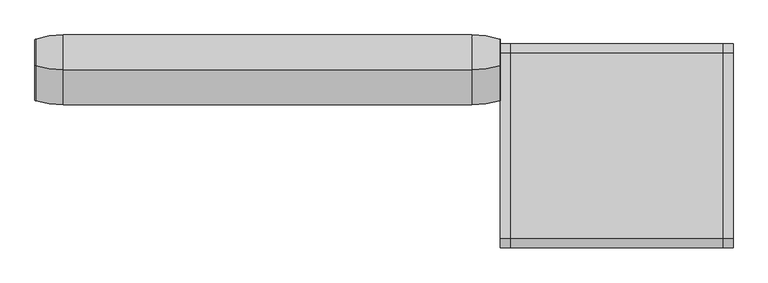
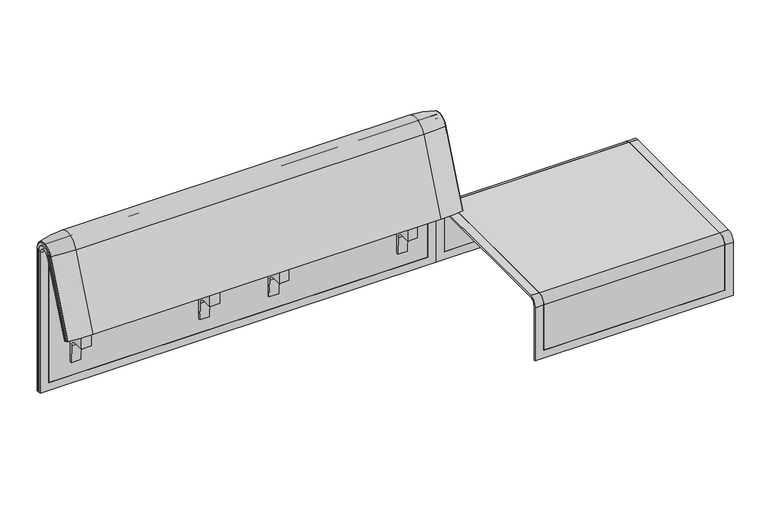
"""IFC4 building model written with IfcOpenShell, lengths in millimetres: furniture geometry."""

from ifc_helpers import new_model, si_unit, point, frame, frame_2d, origin, place, context, project, spatial, polyline, circle_curve, ellipse_curve, trimmed, segment, composite_curve, outline, extrude, source, transform, mapped, element, save
from ifc_brep_helpers import plane_surface, cylinder_surface, revolved_surface, advanced_brep


def furniture_f94167e0(model_context):
    return source(origin(), model_context, "Body", "SolidModel", [
        extrude(outline(composite_curve([segment(trimmed(circle_curve(frame_2d((305.0000061, 379.9223263)), 30.0), [point((305.0000061, 349.9223263))], [point((335.0000061, 379.9223263))], True, "CARTESIAN"), True, "CONTINUOUS"), segment(polyline([(335.0000061, 379.9223263), (335.0000061, 515.0657595)]), True, "CONTINUOUS"), segment(trimmed(circle_curve(frame_2d((305.0000061, 515.0657595)), 30.0), [point((335.0000061, 515.0657595))], [point((316.7219399, 542.6809051))], True, "CARTESIAN"), True, "CONTINUOUS"), segment(polyline([(316.7219399, 542.6809051), (257.4911714, 567.8228747)]), True, "CONTINUOUS"), segment(trimmed(circle_curve(frame_2d((251.6302045, 554.0153019)), 15.0), [point((257.4911714, 567.8228747))], [point((238.0355877, 560.3545758))], True, "CARTESIAN"), True, "CONTINUOUS"), segment(polyline([(238.0355877, 560.3545758), (222.2725218, 526.5505721), (213.7507451, 529.5682915), (296.3054528, 724.0549949)]), True, "CONTINUOUS"), segment(trimmed(circle_curve(frame_2d((322.520748, 712.9272623)), 28.479258), [point((296.3054528, 724.0549949))], [point((351.0000061, 712.9272623))], False, "CARTESIAN"), True, "CONTINUOUS"), segment(polyline([(351.0000061, 712.9272623), (351.0000061, 197.0551771), (343.3075759, 197.0551771), (339.4064861, 271.492405)]), True, "CONTINUOUS"), segment(trimmed(circle_curve(frame_2d((309.4476, 269.9223263)), 30.0), [point((339.4064861, 271.492405))], [point((309.4476, 299.9223263))], True, "CARTESIAN"), True, "CONTINUOUS"), segment(polyline([(309.4476, 299.9223263), (270.0000061, 299.9223263), (270.0000061, 359.9223263), (275.0000061, 359.9223263)]), True, "CONTINUOUS"), segment(trimmed(circle_curve(frame_2d((285.0000061, 359.9223263)), 10.0), [point((275.0000061, 359.9223263))], [point((285.0000061, 349.9223263))], True, "CARTESIAN"), True, "CONTINUOUS"), segment(polyline([(285.0000061, 349.9223263), (305.0000061, 349.9223263)]), True, "CONTINUOUS")], self_intersect=False), holes=[composite_curve([segment(polyline([(337.5000061, 576.3274105), (337.5000061, 716.7072663)]), True, "CONTINUOUS"), segment(trimmed(circle_curve(frame_2d((322.5000061, 716.7072663)), 15.0), [point((337.5000061, 716.7072663))], [point((308.9053893, 723.0465402))], True, "CARTESIAN"), True, "CONTINUOUS"), segment(polyline([(308.9053893, 723.0465402), (253.6256191, 604.4986904)]), True, "CONTINUOUS"), segment(trimmed(circle_curve(frame_2d((271.7517748, 596.0463251)), 20.0), [point((253.6256191, 604.4986904))], [point((265.0756376, 577.1934953))], True, "CARTESIAN"), True, "CONTINUOUS"), segment(polyline([(265.0756376, 577.1934953), (314.1406626, 559.8186587)]), True, "CONTINUOUS"), segment(trimmed(circle_curve(frame_2d((319.9867182, 576.3274105)), 17.5132879), [point((314.1406626, 559.8186587))], [point((337.5000061, 576.3274105))], True, "CARTESIAN"), True, "CONTINUOUS")], self_intersect=False)]), frame((-284.9782527, 0.0, 0.0), z_axis=(1.0, 0.0, 0.0), x_axis=(0.0, 1.0, 0.0)), (0.0, 0.0, 1.0), 40.0),
        extrude(outline(composite_curve([segment(trimmed(circle_curve(frame_2d((305.0000061, 379.9223263)), 30.0), [point((305.0000061, 349.9223263))], [point((335.0000061, 379.9223263))], True, "CARTESIAN"), True, "CONTINUOUS"), segment(polyline([(335.0000061, 379.9223263), (335.0000061, 515.0657595)]), True, "CONTINUOUS"), segment(trimmed(circle_curve(frame_2d((305.0000061, 515.0657595)), 30.0), [point((335.0000061, 515.0657595))], [point((316.7219399, 542.6809051))], True, "CARTESIAN"), True, "CONTINUOUS"), segment(polyline([(316.7219399, 542.6809051), (257.4911714, 567.8228747)]), True, "CONTINUOUS"), segment(trimmed(circle_curve(frame_2d((251.6302045, 554.0153019)), 15.0), [point((257.4911714, 567.8228747))], [point((238.0355877, 560.3545758))], True, "CARTESIAN"), True, "CONTINUOUS"), segment(polyline([(238.0355877, 560.3545758), (222.2725218, 526.5505721), (213.7507451, 529.5682915), (296.3054528, 724.0549949)]), True, "CONTINUOUS"), segment(trimmed(circle_curve(frame_2d((322.520748, 712.9272623)), 28.479258), [point((296.3054528, 724.0549949))], [point((351.0000061, 712.9272623))], False, "CARTESIAN"), True, "CONTINUOUS"), segment(polyline([(351.0000061, 712.9272623), (351.0000061, 197.0551771), (343.3075759, 197.0551771), (339.4064861, 271.492405)]), True, "CONTINUOUS"), segment(trimmed(circle_curve(frame_2d((309.4476, 269.9223263)), 30.0), [point((339.4064861, 271.492405))], [point((309.4476, 299.9223263))], True, "CARTESIAN"), True, "CONTINUOUS"), segment(polyline([(309.4476, 299.9223263), (270.0000061, 299.9223263), (270.0000061, 359.9223263), (275.0000061, 359.9223263)]), True, "CONTINUOUS"), segment(trimmed(circle_curve(frame_2d((285.0000061, 359.9223263)), 10.0), [point((275.0000061, 359.9223263))], [point((285.0000061, 349.9223263))], True, "CARTESIAN"), True, "CONTINUOUS"), segment(polyline([(285.0000061, 349.9223263), (305.0000061, 349.9223263)]), True, "CONTINUOUS")], self_intersect=False), holes=[composite_curve([segment(polyline([(337.5000061, 576.3274105), (337.5000061, 716.7072663)]), True, "CONTINUOUS"), segment(trimmed(circle_curve(frame_2d((322.5000061, 716.7072663)), 15.0), [point((337.5000061, 716.7072663))], [point((308.9053893, 723.0465402))], True, "CARTESIAN"), True, "CONTINUOUS"), segment(polyline([(308.9053893, 723.0465402), (253.6256191, 604.4986904)]), True, "CONTINUOUS"), segment(trimmed(circle_curve(frame_2d((271.7517748, 596.0463251)), 20.0), [point((253.6256191, 604.4986904))], [point((265.0756376, 577.1934953))], True, "CARTESIAN"), True, "CONTINUOUS"), segment(polyline([(265.0756376, 577.1934953), (314.1406626, 559.8186587)]), True, "CONTINUOUS"), segment(trimmed(circle_curve(frame_2d((319.9867182, 576.3274105)), 17.5132879), [point((314.1406626, 559.8186587))], [point((337.5000061, 576.3274105))], True, "CARTESIAN"), True, "CONTINUOUS")], self_intersect=False)]), frame((245.0113409, 0.0, 0.0), z_axis=(1.0, 0.0, 0.0), x_axis=(0.0, 1.0, 0.0)), (0.0, 0.0, 1.0), 40.0),
        advanced_brep(
        [(408.0237127, 351.0000061, 101.8476716), (408.0237127, 359.7858817, 101.8476716), (408.0237127, 359.7858817, 720.3417731), (408.0237127, 292.4403877, 733.7122262), (408.0237127, 170.1966807, 437.98305), (408.0237127, 175.0204081, 435.9866665), (408.0237127, 296.2458652, 723.9869215), (408.0237127, 351.0000061, 712.9272623), (-1223.9718733, 351.0000061, 101.8476716), (-1223.9718733, 351.0000061, 712.9272623), (-1223.9718733, 296.2720241, 723.9759107), (-1223.9718733, 175.0204081, 435.9866665), (-1223.9718733, 170.1966807, 437.98305), (-1223.9718733, 292.4403877, 733.7122262), (-1223.9718733, 359.7858817, 720.3417731), (-1223.9718733, 359.7858817, 101.8476716), (373.1071685, 292.4403877, 733.7122262), (373.1071685, 176.0980387, 452.25948), (-1189.0884174, 176.0980387, 452.25948), (-1189.0884174, 292.4403877, 733.7122262), (-1189.0884174, 296.2458652, 723.9869215), (-1189.0884174, 181.0136548, 450.2250668), (373.1071685, 181.0136548, 450.2250668), (373.1071685, 296.2458652, 723.9869215), (373.1071685, 351.0000061, 712.9272623), (373.1071685, 351.0000061, 135.3766997), (-1189.0884174, 351.0000061, 135.3766997), (-1189.0884174, 351.0000061, 712.9272623), (-1189.0884174, 359.7858817, 720.3417731), (-1189.0884174, 359.7858817, 135.3766997), (373.1071685, 359.7858817, 135.3766997), (373.1071685, 359.7858817, 720.3417731)],
        [
            (0, 1),
            (1, 2),
            (2, 3, circle_curve(frame((408.0237127, 324.7858817, 720.3417731), z_axis=(1.0, 0.0, 0.0), x_axis=(0.0, -1.0, 0.0)), 35.0)),
            (3, 4),
            (4, 5),
            (5, 6),
            (6, 7, circle_curve(frame((408.0237127, 322.520748, 712.9272623), z_axis=(-1.0, 0.0, 0.0), x_axis=(0.0, -1.0, 0.0)), 28.479258)),
            (7, 0),
            (8, 9),
            (9, 10, circle_curve(frame((-1223.9718733, 322.520748, 712.9272623), z_axis=(1.0, 0.0, 0.0), x_axis=(0.0, -1.0, 0.0)), 28.479258)),
            (10, 11),
            (11, 12),
            (12, 13),
            (13, 14, circle_curve(frame((-1223.9718733, 324.7858817, 720.3417731), z_axis=(-1.0, 0.0, 0.0), x_axis=(0.0, -1.0, 0.0)), 35.0)),
            (14, 15),
            (15, 8),
            (3, 16),
            (16, 17),
            (17, 18),
            (18, 19),
            (19, 13),
            (12, 4),
            (11, 5),
            (10, 20),
            (20, 21),
            (21, 22),
            (22, 23),
            (23, 6),
            (7, 24),
            (24, 25),
            (25, 26),
            (26, 27),
            (27, 9),
            (8, 0),
            (15, 1),
            (14, 28),
            (28, 29),
            (29, 30),
            (30, 31),
            (31, 2),
            (31, 16, circle_curve(frame((373.1071685, 324.7858817, 720.3417731), z_axis=(1.0, 0.0, 0.0), x_axis=(0.0, -1.0, 0.0)), 35.0)),
            (19, 28, circle_curve(frame((-1189.0884174, 324.7858817, 720.3417731), z_axis=(-1.0, 0.0, 0.0), x_axis=(0.0, -1.0, 0.0)), 35.0)),
            (23, 24, circle_curve(frame((373.1071685, 322.520748, 712.9272623), z_axis=(-1.0, 0.0, 0.0), x_axis=(0.0, -1.0, 0.0)), 28.479258)),
            (27, 20, circle_curve(frame((-1189.0884174, 322.520748, 712.9272623), z_axis=(1.0, 0.0, 0.0), x_axis=(0.0, -1.0, 0.0)), 28.479258)),
            (22, 17),
            (30, 25),
            (26, 29),
            (18, 21),
        ],
        [
            plane_surface(frame((408.0237127, 359.7858817, 101.8476716), z_axis=(1.0, 0.0, 0.0), x_axis=(0.0, 1.0, 0.0))),
            plane_surface(frame((-1223.9718733, 359.7858817, 101.8476716), z_axis=(-1.0, 0.0, 0.0), x_axis=(0.0, -1.0, 0.0))),
            plane_surface(frame((408.0237127, 292.4403877, 733.7122262), z_axis=(0.0, -0.9241569717933176, 0.3820129467515535), x_axis=(-1.0, 0.0, 0.0))),
            plane_surface(frame((408.0237127, 170.1966807, 437.98305), z_axis=(0.0, -0.3824103944198279, -0.9239925812687414), x_axis=(-1.0, 0.0, 0.0))),
            plane_surface(frame((408.0237127, 175.0204081, 435.9866665), z_axis=(0.0, 0.921678643444566, -0.3879542218073993), x_axis=(-1.0, 0.0, 0.0))),
            plane_surface(frame((408.0237127, 351.0000061, 712.9272623), z_axis=(0.0, -1.0, 0.0), x_axis=(-1.0, 0.0, 0.0))),
            plane_surface(frame((408.0237127, 351.0000061, 101.8476716), z_axis=(0.0, 0.0, -1.0), x_axis=(-1.0, 0.0, 0.0))),
            plane_surface(frame((408.0237127, 359.7858817, 101.8476716), z_axis=(0.0, 1.0, 0.0), x_axis=(-1.0, 0.0, 0.0))),
            cylinder_surface(frame((-1223.9718733, 324.7858817, 720.3417731), z_axis=(1.0, 0.0, 0.0), x_axis=(0.0, -1.0, 0.0)), 35.0),
            revolved_surface(polyline([(373.10716849999994, 294.04149, 712.9272623), (408.02371270000003, 294.04149, 712.9272623)]), (-1223.9718733, 322.520748, 712.9272623), (-1.0, 0.0, 0.0)),
            revolved_surface(polyline([(-1223.9718733, 294.04149, 712.9272623), (-1189.0884174, 294.04149, 712.9272623)]), (-1223.9718733, 322.520748, 712.9272623), (-1.0, 0.0, 0.0)),
            plane_surface(frame((373.1071685, 359.7858817, 135.3766997), z_axis=(-1.0, 0.0, 0.0), x_axis=(0.0, 1.0, 0.0))),
            plane_surface(frame((-1189.0884174, 359.7858817, 135.3766997), z_axis=(1.0, 0.0, 0.0), x_axis=(0.0, -1.0, 0.0))),
            plane_surface(frame((373.1071685, 166.9120641, 456.0612553), z_axis=(0.0, 0.38241039441982605, 0.9239925812687422), x_axis=(-1.0, 0.0, 0.0))),
            plane_surface(frame((373.1071685, 344.7858817, 135.3766997), z_axis=(0.0, 0.0, 1.0), x_axis=(-1.0, 0.0, 0.0))),
        ],
        [
            (0, [[1, 2, 3, 4, 5, 6, 7, 8]]),
            (1, [[9, 10, 11, 12, 13, 14, 15, 16]]),
            (2, [[-4, 17, 18, 19, 20, 21, -13, 22]]),
            (3, [[-5, -22, -12, 23]]),
            (4, [[-6, -23, -11, 24, 25, 26, 27, 28]]),
            (5, [[-8, 29, 30, 31, 32, 33, -9, 34]]),
            (6, [[-1, -34, -16, 35]]),
            (7, [[-2, -35, -15, 36, 37, 38, 39, 40]]),
            (8, [[-3, -40, 41, -17]]),
            (8, [[-14, -21, 42, -36]]),
            (9, [[-7, -28, 43, -29]]),
            (10, [[-10, -33, 44, -24]]),
            (11, [[45, -18, -41, -39, 46, -30, -43, -27]]),
            (12, [[47, -37, -42, -20, 48, -25, -44, -32]]),
            (13, [[-45, -26, -48, -19]]),
            (14, [[-46, -38, -47, -31]]),
        ],
    ),
        advanced_brep(
        [(373.1071685, 351.0000061, 135.3766997), (373.1071685, 359.7858817, 135.3766997), (373.1071685, 359.7858817, 720.3417731), (373.1071685, 292.4403877, 733.7122262), (373.1071685, 176.0980387, 452.25948), (373.1071685, 181.0136548, 450.2250668), (373.1071685, 296.2458652, 723.9869215), (373.1071685, 351.0000061, 712.9272623), (-1189.0884174, 351.0000061, 135.3766997), (-1189.0884174, 351.0000061, 712.9272623), (-1189.0884174, 296.2720241, 723.9759107), (-1189.0884174, 181.0136548, 450.2250668), (-1189.0884174, 176.0980387, 452.25948), (-1189.0884174, 292.4403877, 733.7122262), (-1189.0884174, 359.7858817, 720.3417731), (-1189.0884174, 359.7858817, 135.3766997)],
        [
            (0, 1),
            (1, 2),
            (2, 3, circle_curve(frame((373.1071685, 324.7858817, 720.3417731), z_axis=(1.0, 0.0, 0.0), x_axis=(0.0, -1.0, 0.0)), 35.0)),
            (3, 4),
            (4, 5),
            (5, 6),
            (6, 7, circle_curve(frame((373.1071685, 322.520748, 712.9272623), z_axis=(-1.0, 0.0, 0.0), x_axis=(0.0, -1.0, 0.0)), 28.479258)),
            (7, 0),
            (8, 9),
            (9, 10, circle_curve(frame((-1189.0884174, 322.520748, 712.9272623), z_axis=(1.0, 0.0, 0.0), x_axis=(0.0, -1.0, 0.0)), 28.479258)),
            (10, 11),
            (11, 12),
            (12, 13),
            (13, 14, circle_curve(frame((-1189.0884174, 324.7858817, 720.3417731), z_axis=(-1.0, 0.0, 0.0), x_axis=(0.0, -1.0, 0.0)), 35.0)),
            (14, 15),
            (15, 8),
            (3, 13),
            (12, 4),
            (11, 5),
            (10, 6),
            (7, 9),
            (8, 0),
            (15, 1),
            (14, 2),
        ],
        [
            plane_surface(frame((373.1071685, 359.7858817, 135.3766997), z_axis=(1.0, 0.0, 0.0), x_axis=(0.0, 1.0, 0.0))),
            plane_surface(frame((-1189.0884174, 359.7858817, 135.3766997), z_axis=(-1.0, 0.0, 0.0), x_axis=(0.0, -1.0, 0.0))),
            plane_surface(frame((373.1071685, 292.4403877, 733.7122262), z_axis=(0.0, -0.9241569717933176, 0.3820129467515535), x_axis=(-1.0, 0.0, 0.0))),
            plane_surface(frame((373.1071685, 176.0980387, 452.25948), z_axis=(0.0, -0.38241039441982716, -0.9239925812687417), x_axis=(-1.0, 0.0, 0.0))),
            plane_surface(frame((373.1071685, 181.0136548, 450.2250668), z_axis=(0.0, 0.921678643444566, -0.3879542218073993), x_axis=(-1.0, 0.0, 0.0))),
            plane_surface(frame((373.1071685, 351.0000061, 712.9272623), z_axis=(0.0, -1.0, 0.0), x_axis=(-1.0, 0.0, 0.0))),
            plane_surface(frame((373.1071685, 351.0000061, 135.3766997), z_axis=(0.0, 0.0, -1.0), x_axis=(-1.0, 0.0, 0.0))),
            plane_surface(frame((373.1071685, 359.7858817, 135.3766997), z_axis=(0.0, 1.0, 0.0), x_axis=(-1.0, 0.0, 0.0))),
            cylinder_surface(frame((-1189.0884174, 324.7858817, 720.3417731), z_axis=(1.0, 0.0, 0.0), x_axis=(0.0, -1.0, 0.0)), 35.0),
            revolved_surface(polyline([(-1189.0884174, 294.04149, 712.9272623), (373.10716849999994, 294.04149, 712.9272623)]), (-1189.0884174, 322.520748, 712.9272623), (-1.0, 0.0, 0.0)),
        ],
        [
            (0, [[1, 2, 3, 4, 5, 6, 7, 8]]),
            (1, [[9, 10, 11, 12, 13, 14, 15, 16]]),
            (2, [[-4, 17, -13, 18]]),
            (3, [[-5, -18, -12, 19]]),
            (4, [[-6, -19, -11, 20]]),
            (5, [[-8, 21, -9, 22]]),
            (6, [[-1, -22, -16, 23]]),
            (7, [[-2, -23, -15, 24]]),
            (8, [[-3, -24, -14, -17]]),
            (9, [[-7, -20, -10, -21]]),
        ],
    ),
        extrude(outline(composite_curve([segment(trimmed(circle_curve(frame_2d((305.0000061, 379.9223263)), 30.0), [point((305.0000061, 349.9223263))], [point((335.0000061, 379.9223263))], True, "CARTESIAN"), True, "CONTINUOUS"), segment(polyline([(335.0000061, 379.9223263), (335.0000061, 515.0657595)]), True, "CONTINUOUS"), segment(trimmed(circle_curve(frame_2d((305.0000061, 515.0657595)), 30.0), [point((335.0000061, 515.0657595))], [point((316.7219399, 542.6809051))], True, "CARTESIAN"), True, "CONTINUOUS"), segment(polyline([(316.7219399, 542.6809051), (257.4911714, 567.8228747)]), True, "CONTINUOUS"), segment(trimmed(circle_curve(frame_2d((251.6302045, 554.0153019)), 15.0), [point((257.4911714, 567.8228747))], [point((238.0355877, 560.3545758))], True, "CARTESIAN"), True, "CONTINUOUS"), segment(polyline([(238.0355877, 560.3545758), (222.2725218, 526.5505721), (213.7507451, 529.5682915), (296.3054528, 724.0549949)]), True, "CONTINUOUS"), segment(trimmed(circle_curve(frame_2d((322.520748, 712.9272623)), 28.479258), [point((296.3054528, 724.0549949))], [point((351.0000061, 712.9272623))], False, "CARTESIAN"), True, "CONTINUOUS"), segment(polyline([(351.0000061, 712.9272623), (351.0000061, 197.0551771), (343.3075759, 197.0551771), (339.4064861, 271.492405)]), True, "CONTINUOUS"), segment(trimmed(circle_curve(frame_2d((309.4476, 269.9223263)), 30.0), [point((339.4064861, 271.492405))], [point((309.4476, 299.9223263))], True, "CARTESIAN"), True, "CONTINUOUS"), segment(polyline([(309.4476, 299.9223263), (270.0000061, 299.9223263), (270.0000061, 359.9223263), (275.0000061, 359.9223263)]), True, "CONTINUOUS"), segment(trimmed(circle_curve(frame_2d((285.0000061, 359.9223263)), 10.0), [point((275.0000061, 359.9223263))], [point((285.0000061, 349.9223263))], True, "CARTESIAN"), True, "CONTINUOUS"), segment(polyline([(285.0000061, 349.9223263), (305.0000061, 349.9223263)]), True, "CONTINUOUS")], self_intersect=False), holes=[composite_curve([segment(polyline([(337.5000061, 576.3274105), (337.5000061, 716.7072663)]), True, "CONTINUOUS"), segment(trimmed(circle_curve(frame_2d((322.5000061, 716.7072663)), 15.0), [point((337.5000061, 716.7072663))], [point((308.9053893, 723.0465402))], True, "CARTESIAN"), True, "CONTINUOUS"), segment(polyline([(308.9053893, 723.0465402), (253.6256191, 604.4986904)]), True, "CONTINUOUS"), segment(trimmed(circle_curve(frame_2d((271.7517748, 596.0463251)), 20.0), [point((253.6256191, 604.4986904))], [point((265.0756376, 577.1934953))], True, "CARTESIAN"), True, "CONTINUOUS"), segment(polyline([(265.0756376, 577.1934953), (314.1406626, 559.8186587)]), True, "CONTINUOUS"), segment(trimmed(circle_curve(frame_2d((319.9867182, 576.3274105)), 17.5132879), [point((314.1406626, 559.8186587))], [point((337.5000061, 576.3274105))], True, "CARTESIAN"), True, "CONTINUOUS")], self_intersect=False)]), frame((-571.0029962, 0.0, 0.0), z_axis=(1.0, 0.0, 0.0), x_axis=(0.0, 1.0, 0.0)), (0.0, 0.0, 1.0), 40.0),
        advanced_brep(
        [(308.0237127, 388.2902376, 100.5089435), (405.8850842, 373.93893, 100.5089435), (408.0237127, 371.0652495, 100.5089435), (408.0237127, 359.7858817, 100.5089435), (-1224.0049615, 359.7858817, 100.5089435), (-1224.0049615, 371.0652495, 100.5089435), (-1221.866333, 373.93893, 100.5089435), (-1124.0049615, 388.2902376, 100.5089435), (-1124.0049615, 388.2902376, 720.3417731), (308.0237127, 388.2902376, 720.3417731), (405.8850842, 373.93893, 720.3417731), (408.0237127, 371.0652495, 720.3417731), (408.0237127, 282.0164812, 738.0210907), (408.0237127, 159.7723383, 442.2908598), (408.0237127, 170.1962447, 437.9819952), (408.0237127, 292.4403877, 733.7122262), (408.0237127, 359.7858817, 720.3417731), (-1224.0049615, 359.7858817, 720.3417731), (308.0237127, 143.8537454, 448.8710282), (-1124.0049615, 143.8537454, 448.8710282), (-1221.866333, 157.1166065, 443.3886429), (-1224.0049615, 159.7723383, 442.2908598), (-1224.0049615, 170.1962447, 437.9819952), (405.8850842, 157.1166065, 443.3886429), (308.0237127, 266.0978884, 744.6012592), (-1124.0049615, 266.0978884, 744.6012592), (405.8850842, 279.3607494, 739.1188739), (-1224.0049615, 292.4403877, 733.7122262), (-1224.0049615, 282.0164812, 738.0210907), (-1224.0049615, 371.0652495, 720.3417731), (-1221.866333, 373.93893, 720.3417731), (-1221.866333, 279.3607494, 739.1188739)],
        [
            (0, 1, circle_curve(frame((308.0237127, 47.4569043, 100.5089435), z_axis=(0.0, 0.0, -1.0), x_axis=(0.0, -1.0, 0.0)), 340.8333333)),
            (1, 2, circle_curve(frame((405.0237127, 371.0652495, 100.5089435), z_axis=(0.0, 0.0, -1.0), x_axis=(1.0, 0.0, 0.0)), 3.0)),
            (2, 3),
            (3, 4),
            (4, 5),
            (5, 6, circle_curve(frame((-1221.0049615, 371.0652495, 100.5089435), z_axis=(0.0, 0.0, -1.0), x_axis=(-1.0, 0.0, 0.0)), 3.0)),
            (6, 7, circle_curve(frame((-1124.0049615, 47.4569043, 100.5089435), z_axis=(0.0, 0.0, -1.0), x_axis=(0.0, -1.0, 0.0)), 340.8333333)),
            (7, 0),
            (7, 8),
            (8, 9),
            (9, 0),
            (9, 10, circle_curve(frame((308.0237127, 47.4569043, 720.3417731), z_axis=(0.0, 0.0, -1.0), x_axis=(0.0, -1.0, 0.0)), 340.8333333)),
            (10, 1),
            (10, 11, circle_curve(frame((405.0237127, 371.0652495, 720.3417731), z_axis=(0.0, 0.0, -1.0), x_axis=(1.0, 0.0, 0.0)), 3.0)),
            (11, 2),
            (11, 12, circle_curve(frame((408.0237127, 324.7858817, 720.3417731), z_axis=(1.0, 0.0, 0.0), x_axis=(0.0, 1.0, 0.0)), 46.2793679)),
            (12, 13),
            (13, 14),
            (14, 15),
            (15, 16, circle_curve(frame((408.0237127, 324.7858817, 720.3417731), z_axis=(-1.0, 0.0, 0.0), x_axis=(0.0, 1.0, 0.0)), 35.0)),
            (16, 3),
            (16, 17),
            (17, 4),
            (18, 19),
            (19, 20, circle_curve(frame((-1124.0049615, 458.8372467, 318.6682822), z_axis=(0.0, -0.38201294675155345, -0.9241569717933176), x_axis=(0.0, 0.9241569717933176, -0.38201294675155345)), 340.8333333)),
            (20, 21, circle_curve(frame((-1221.0049615, 159.7723383, 442.2908598), z_axis=(0.0, -0.38201294675155345, -0.9241569717933176), x_axis=(-1.0, 0.0, 0.0)), 3.0)),
            (21, 22),
            (22, 14),
            (13, 23, circle_curve(frame((405.0237127, 159.7723383, 442.2908598), z_axis=(0.0, -0.38201294675155345, -0.9241569717933176), x_axis=(1.0, 0.0, 0.0)), 3.0)),
            (23, 18, circle_curve(frame((308.0237127, 458.8372467, 318.6682822), z_axis=(0.0, -0.38201294675155345, -0.9241569717933176), x_axis=(0.0, 0.9241569717933176, -0.38201294675155345)), 340.8333333)),
            (24, 9, circle_curve(frame((308.0237127, 324.7858817, 720.3417731), z_axis=(-1.0, 0.0, 0.0), x_axis=(0.0, 1.0, 0.0)), 63.5043559)),
            (8, 25, circle_curve(frame((-1124.0049615, 324.7858817, 720.3417731), z_axis=(1.0, 0.0, 0.0), x_axis=(0.0, 1.0, 0.0)), 63.5043559)),
            (25, 24),
            (26, 10, circle_curve(frame((405.8850842, 324.7858817, 720.3417731), z_axis=(-1.0, 0.0, 0.0), x_axis=(0.0, 1.0, 0.0)), 49.1530483)),
            (24, 26, circle_curve(frame((308.0237127, 581.0813896, 614.3985132), z_axis=(0.0, 0.3820129467515556, 0.9241569717933167), x_axis=(0.0, 0.9241569717933167, -0.3820129467515556)), 340.8333333)),
            (26, 12, circle_curve(frame((405.0237127, 282.0164812, 738.0210907), z_axis=(0.0, 0.3820129467515548, 0.924156971793317), x_axis=(1.0, 0.0, 0.0)), 3.0)),
            (27, 17, circle_curve(frame((-1224.0049615, 324.7858817, 720.3417731), z_axis=(-1.0, 0.0, 0.0), x_axis=(0.0, 1.0, 0.0)), 35.0)),
            (15, 27),
            (25, 19),
            (18, 24),
            (23, 26),
            (22, 27),
            (21, 28),
            (28, 29, circle_curve(frame((-1224.0049615, 324.7858817, 720.3417731), z_axis=(-1.0, 0.0, 0.0), x_axis=(0.0, 1.0, 0.0)), 46.2793679)),
            (29, 5),
            (29, 30, circle_curve(frame((-1221.0049615, 371.0652495, 720.3417731), z_axis=(0.0, 0.0, -1.0), x_axis=(-1.0, 0.0, 0.0)), 3.0)),
            (30, 6),
            (30, 8, circle_curve(frame((-1124.0049615, 47.4569043, 720.3417731), z_axis=(0.0, 0.0, -1.0), x_axis=(0.0, -1.0, 0.0)), 340.8333333)),
            (31, 30, circle_curve(frame((-1221.866333, 324.7858817, 720.3417731), z_axis=(-1.0, 0.0, 0.0), x_axis=(0.0, 1.0, 0.0)), 49.1530483)),
            (28, 31, circle_curve(frame((-1221.0049615, 282.0164812, 738.0210907), z_axis=(0.0, 0.382012946751554, 0.9241569717933174), x_axis=(-1.0, 0.0, 0.0)), 3.0)),
            (31, 25, circle_curve(frame((-1124.0049615, 581.0813896, 614.3985132), z_axis=(0.0, 0.382012946751554, 0.9241569717933174), x_axis=(0.0, 0.9241569717933174, -0.382012946751554)), 340.8333333)),
            (20, 31),
        ],
        [
            plane_surface(frame((-811.2327697, 359.7858817, 100.5089435), z_axis=(0.0, 0.0, -1.0), x_axis=(1.0, 0.0, 0.0))),
            plane_surface(frame((-1124.0049615, 388.2902376, 100.5089435), z_axis=(0.0, 1.0, 0.0), x_axis=(0.0, 0.0, 1.0))),
            cylinder_surface(frame((308.0237127, 47.4569043, 100.5089435), z_axis=(0.0, 0.0, -1.0), x_axis=(0.0, -1.0, 0.0)), 340.8333333),
            cylinder_surface(frame((405.0237127, 371.0652495, 100.5089435), z_axis=(0.0, 0.0, -1.0), x_axis=(1.0, 0.0, 0.0)), 3.0),
            plane_surface(frame((408.0237127, 371.0652495, 100.5089435), z_axis=(1.0, 0.0, 0.0), x_axis=(0.0, 0.0, 1.0))),
            plane_surface(frame((408.0237127, 359.7858817, 100.5089435), z_axis=(0.0, -1.0, 0.0), x_axis=(0.0, 0.0, 1.0))),
            plane_surface(frame((-811.2327697, 170.1962447, 437.9819952), z_axis=(0.0, -0.38201294675155345, -0.9241569717933176), x_axis=(1.0, 0.0, 0.0))),
            cylinder_surface(frame((-811.2327697, 324.7858817, 720.3417731), z_axis=(1.0, 0.0, 0.0), x_axis=(0.0, 1.0, 0.0)), 63.5043559),
            revolved_surface(trimmed(ellipse_curve(frame((308.0237127, 47.4569043, 720.3417731), z_axis=(0.0, 0.0, -1.0), x_axis=(0.0, -1.0, 0.0)), 340.8333333, 340.8333333), [point((308.0237127, 388.2902376, 720.3417731))], [point((405.8850842, 373.93893, 720.3417731))], True, "CARTESIAN"), (-811.2327697, 324.7858817, 720.3417731), (1.0, 0.0, 0.0)),
            revolved_surface(trimmed(ellipse_curve(frame((405.0237127, 371.0652495, 720.3417731), z_axis=(0.0, 0.0, -1.0), x_axis=(1.0, 0.0, 0.0)), 3.0, 3.0), [point((405.8850842, 373.93893, 720.3417731))], [point((408.0237127, 371.0652495, 720.3417731))], True, "CARTESIAN"), (-811.2327697, 324.7858817, 720.3417731), (1.0, 0.0, 0.0)),
            revolved_surface(polyline([(408.0237126999999, 359.7858817, 720.3417731), (-1224.0049615, 359.7858817, 720.3417731)]), (-811.2327697, 324.7858817, 720.3417731), (1.0, 0.0, 0.0)),
            plane_surface(frame((-1124.0049615, 266.0978884, 744.6012592), z_axis=(0.0, -0.9241569717933174, 0.38201294675155406), x_axis=(0.0, -0.38201294675155406, -0.9241569717933174))),
            cylinder_surface(frame((308.0237127, 581.0813896, 614.3985132), z_axis=(0.0, 0.38201294675155345, 0.9241569717933176), x_axis=(0.0, 0.9241569717933176, -0.38201294675155345)), 340.8333333),
            cylinder_surface(frame((405.0237127, 282.0164812, 738.0210907), z_axis=(0.0, 0.38201294675155345, 0.9241569717933176), x_axis=(1.0, 0.0, 0.0)), 3.0),
            plane_surface(frame((408.0237127, 292.4403877, 733.7122262), z_axis=(0.0, 0.9241569717933175, -0.3820129467515539), x_axis=(0.0, -0.3820129467515539, -0.9241569717933175))),
            plane_surface(frame((-1224.0049615, 359.7858817, 100.5089435), z_axis=(-1.0, 0.0, 0.0), x_axis=(0.0, 0.0, 1.0))),
            cylinder_surface(frame((-1221.0049615, 371.0652495, 100.5089435), z_axis=(0.0, 0.0, -1.0), x_axis=(-1.0, 0.0, 0.0)), 3.0),
            cylinder_surface(frame((-1124.0049615, 47.4569043, 100.5089435), z_axis=(0.0, 0.0, -1.0), x_axis=(0.0, -1.0, 0.0)), 340.8333333),
            revolved_surface(trimmed(ellipse_curve(frame((-1221.0049615, 371.0652495, 720.3417731), z_axis=(0.0, 0.0, -1.0), x_axis=(-1.0, 0.0, 0.0)), 3.0, 3.0), [point((-1224.0049615, 371.0652495, 720.3417731))], [point((-1221.866333, 373.93893, 720.3417731))], True, "CARTESIAN"), (-811.2327697, 324.7858817, 720.3417731), (1.0, 0.0, 0.0)),
            revolved_surface(trimmed(ellipse_curve(frame((-1124.0049615, 47.4569043, 720.3417731), z_axis=(0.0, 0.0, -1.0), x_axis=(0.0, -1.0, 0.0)), 340.8333333, 340.8333333), [point((-1221.866333, 373.93893, 720.3417731))], [point((-1124.0049615, 388.2902376, 720.3417731))], True, "CARTESIAN"), (-811.2327697, 324.7858817, 720.3417731), (1.0, 0.0, 0.0)),
            cylinder_surface(frame((-1221.0049615, 282.0164812, 738.0210907), z_axis=(0.0, 0.38201294675155345, 0.9241569717933176), x_axis=(-1.0, 0.0, 0.0)), 3.0),
            cylinder_surface(frame((-1124.0049615, 581.0813896, 614.3985132), z_axis=(0.0, 0.38201294675155345, 0.9241569717933176), x_axis=(0.0, 0.9241569717933176, -0.38201294675155345)), 340.8333333),
        ],
        [
            (0, [[1, 2, 3, 4, 5, 6, 7, 8]]),
            (1, [[-8, 9, 10, 11]]),
            (2, [[-1, -11, 12, 13]]),
            (3, [[-2, -13, 14, 15]]),
            (4, [[-3, -15, 16, 17, 18, 19, 20, 21]]),
            (5, [[-4, -21, 22, 23]]),
            (6, [[24, 25, 26, 27, 28, -18, 29, 30]]),
            (7, [[31, -10, 32, 33]]),
            (8, [[34, -12, -31, 35]]),
            (9, [[-16, -14, -34, 36]]),
            (10, [[37, -22, -20, 38]]),
            (11, [[-33, 39, -24, 40]]),
            (12, [[-35, -40, -30, 41]]),
            (13, [[-36, -41, -29, -17]]),
            (14, [[-38, -19, -28, 42]]),
            (15, [[-5, -23, -37, -42, -27, 43, 44, 45]]),
            (16, [[-6, -45, 46, 47]]),
            (17, [[-7, -47, 48, -9]]),
            (18, [[49, -46, -44, 50]]),
            (19, [[-32, -48, -49, 51]]),
            (20, [[-50, -43, -26, 52]]),
            (21, [[-51, -52, -25, -39]]),
        ],
    ),
        extrude(outline(composite_curve([segment(trimmed(circle_curve(frame_2d((305.0000061, 379.9223263)), 30.0), [point((305.0000061, 349.9223263))], [point((335.0000061, 379.9223263))], True, "CARTESIAN"), True, "CONTINUOUS"), segment(polyline([(335.0000061, 379.9223263), (335.0000061, 515.0657595)]), True, "CONTINUOUS"), segment(trimmed(circle_curve(frame_2d((305.0000061, 515.0657595)), 30.0), [point((335.0000061, 515.0657595))], [point((316.7219399, 542.6809051))], True, "CARTESIAN"), True, "CONTINUOUS"), segment(polyline([(316.7219399, 542.6809051), (257.4911714, 567.8228747)]), True, "CONTINUOUS"), segment(trimmed(circle_curve(frame_2d((251.6302045, 554.0153019)), 15.0), [point((257.4911714, 567.8228747))], [point((238.0355877, 560.3545758))], True, "CARTESIAN"), True, "CONTINUOUS"), segment(polyline([(238.0355877, 560.3545758), (222.2725218, 526.5505721), (213.7507451, 529.5682915), (296.3054528, 724.0549949)]), True, "CONTINUOUS"), segment(trimmed(circle_curve(frame_2d((322.520748, 712.9272623)), 28.479258), [point((296.3054528, 724.0549949))], [point((351.0000061, 712.9272623))], False, "CARTESIAN"), True, "CONTINUOUS"), segment(polyline([(351.0000061, 712.9272623), (351.0000061, 197.0551771), (343.3075759, 197.0551771), (339.4064861, 271.492405)]), True, "CONTINUOUS"), segment(trimmed(circle_curve(frame_2d((309.4476, 269.9223263)), 30.0), [point((339.4064861, 271.492405))], [point((309.4476, 299.9223263))], True, "CARTESIAN"), True, "CONTINUOUS"), segment(polyline([(309.4476, 299.9223263), (270.0000061, 299.9223263), (270.0000061, 359.9223263), (275.0000061, 359.9223263)]), True, "CONTINUOUS"), segment(trimmed(circle_curve(frame_2d((285.0000061, 359.9223263)), 10.0), [point((275.0000061, 359.9223263))], [point((285.0000061, 349.9223263))], True, "CARTESIAN"), True, "CONTINUOUS"), segment(polyline([(285.0000061, 349.9223263), (305.0000061, 349.9223263)]), True, "CONTINUOUS")], self_intersect=False), holes=[composite_curve([segment(polyline([(337.5000061, 576.3274105), (337.5000061, 716.7072663)]), True, "CONTINUOUS"), segment(trimmed(circle_curve(frame_2d((322.5000061, 716.7072663)), 15.0), [point((337.5000061, 716.7072663))], [point((308.9053893, 723.0465402))], True, "CARTESIAN"), True, "CONTINUOUS"), segment(polyline([(308.9053893, 723.0465402), (253.6256191, 604.4986904)]), True, "CONTINUOUS"), segment(trimmed(circle_curve(frame_2d((271.7517748, 596.0463251)), 20.0), [point((253.6256191, 604.4986904))], [point((265.0756376, 577.1934953))], True, "CARTESIAN"), True, "CONTINUOUS"), segment(polyline([(265.0756376, 577.1934953), (314.1406626, 559.8186587)]), True, "CONTINUOUS"), segment(trimmed(circle_curve(frame_2d((319.9867182, 576.3274105)), 17.5132879), [point((314.1406626, 559.8186587))], [point((337.5000061, 576.3274105))], True, "CARTESIAN"), True, "CONTINUOUS")], self_intersect=False)]), frame((-1100.9925898, 0.0, 0.0), z_axis=(1.0, 0.0, 0.0), x_axis=(0.0, 1.0, 0.0)), (0.0, 0.0, 1.0), 40.0),
        advanced_brep(
        [(407.9906244, 323.7517936, 359.922434), (407.9906244, -323.7517936, 359.922434), (407.9906244, -351.0, 332.6742277), (407.9906244, -351.0, 100.5089435), (407.9906244, -357.5, 100.5089435), (407.9906244, -357.5, 333.0583003), (407.9906244, -324.3858663, 366.172434), (407.9906244, 324.3858663, 366.172434), (407.9906244, 357.5, 333.0583003), (407.9906244, 357.5, 100.5089435), (407.9906244, 351.0, 100.5089435), (407.9906244, 351.0, 332.6742277), (1223.9718733, 323.7517936, 359.922434), (1223.9718733, 351.0, 332.6742277), (1223.9718733, 351.0, 100.5089435), (1223.9718733, 357.5, 100.5089435), (1223.9718733, 357.5, 333.0583003), (1223.9718733, 324.3858663, 366.172434), (1223.9718733, -324.3858663, 366.172434), (1223.9718733, -357.5, 333.0583003), (1223.9718733, -357.5, 100.5089435), (1223.9718733, -351.0, 100.5089435), (1223.9718733, -351.0, 332.6742277), (1223.9718733, -323.7517936, 359.922434), (442.8906244, -324.3858663, 366.172434), (442.8906244, 324.3858663, 366.172434), (1189.0718733, 324.3858663, 366.172434), (1189.0718733, -324.3858663, 366.172434), (442.8906244, -357.5, 333.0583003), (1189.0718733, -357.5, 333.0583003), (1189.0718733, -357.5, 135.3766997), (442.8906244, -357.5, 135.3766997), (442.8906244, -351.0, 332.6742277), (442.8906244, -351.0, 135.3766997), (1189.0718733, -351.0, 135.3766997), (1189.0718733, -351.0, 332.6742277), (442.8906244, -323.7517936, 359.922434), (1189.0718733, -323.7517936, 359.922434), (442.8906244, 323.7517936, 359.922434), (1189.0718733, 323.7517936, 359.922434), (442.8906244, 357.5, 333.0583003), (1189.0718733, 357.5, 333.0583003), (442.8906244, 357.5, 135.3766997), (1189.0718733, 357.5, 135.3766997), (1189.0718733, 351.0, 332.6742277), (1189.0718733, 351.0, 135.3766997), (442.8906244, 351.0, 135.3766997), (442.8906244, 351.0, 332.6742277)],
        [
            (0, 1),
            (1, 2, circle_curve(frame((407.9906244, -323.7517936, 332.6742277), z_axis=(1.0, 0.0, 0.0), x_axis=(0.0, -1.0, 0.0)), 27.2482064)),
            (2, 3),
            (3, 4),
            (4, 5),
            (5, 6, circle_curve(frame((407.9906244, -324.3858663, 333.0583003), z_axis=(-1.0, 0.0, 0.0), x_axis=(0.0, -1.0, 0.0)), 33.1141337)),
            (6, 7),
            (7, 8, circle_curve(frame((407.9906244, 324.3858663, 333.0583003), z_axis=(-1.0, 0.0, 0.0), x_axis=(0.0, 1.0, 0.0)), 33.1141337)),
            (8, 9),
            (9, 10),
            (10, 11),
            (11, 0, circle_curve(frame((407.9906244, 323.7517936, 332.6742277), z_axis=(1.0, 0.0, 0.0), x_axis=(0.0, 1.0, 0.0)), 27.2482064)),
            (12, 13, circle_curve(frame((1223.9718733, 323.7517936, 332.6742277), z_axis=(-1.0, 0.0, 0.0), x_axis=(0.0, 1.0, 0.0)), 27.2482064)),
            (13, 14),
            (14, 15),
            (15, 16),
            (16, 17, circle_curve(frame((1223.9718733, 324.3858663, 333.0583003), z_axis=(1.0, 0.0, 0.0), x_axis=(0.0, 1.0, 0.0)), 33.1141337)),
            (17, 18),
            (18, 19, circle_curve(frame((1223.9718733, -324.3858663, 333.0583003), z_axis=(1.0, 0.0, 0.0), x_axis=(0.0, -1.0, 0.0)), 33.1141337)),
            (19, 20),
            (20, 21),
            (21, 22),
            (22, 23, circle_curve(frame((1223.9718733, -323.7517936, 332.6742277), z_axis=(-1.0, 0.0, 0.0), x_axis=(0.0, -1.0, 0.0)), 27.2482064)),
            (23, 12),
            (6, 24),
            (24, 25),
            (25, 7),
            (17, 26),
            (26, 27),
            (27, 18),
            (5, 28),
            (28, 24, circle_curve(frame((442.8906244, -324.3858663, 333.0583003), z_axis=(-1.0, 0.0, 0.0), x_axis=(0.0, -1.0, 0.0)), 33.1141337)),
            (27, 29, circle_curve(frame((1189.0718733, -324.3858663, 333.0583003), z_axis=(1.0, 0.0, 0.0), x_axis=(0.0, -1.0, 0.0)), 33.1141337)),
            (29, 19),
            (4, 20),
            (29, 30),
            (30, 31),
            (31, 28),
            (3, 21),
            (2, 32),
            (32, 33),
            (33, 34),
            (34, 35),
            (35, 22),
            (1, 36),
            (36, 32, circle_curve(frame((442.8906244, -323.7517936, 332.6742277), z_axis=(1.0, 0.0, 0.0), x_axis=(0.0, -1.0, 0.0)), 27.2482064)),
            (35, 37, circle_curve(frame((1189.0718733, -323.7517936, 332.6742277), z_axis=(-1.0, 0.0, 0.0), x_axis=(0.0, -1.0, 0.0)), 27.2482064)),
            (37, 23),
            (0, 38),
            (38, 36),
            (37, 39),
            (39, 12),
            (25, 40, circle_curve(frame((442.8906244, 324.3858663, 333.0583003), z_axis=(-1.0, 0.0, 0.0), x_axis=(0.0, 1.0, 0.0)), 33.1141337)),
            (40, 8),
            (16, 41),
            (41, 26, circle_curve(frame((1189.0718733, 324.3858663, 333.0583003), z_axis=(1.0, 0.0, 0.0), x_axis=(0.0, 1.0, 0.0)), 33.1141337)),
            (40, 42),
            (42, 43),
            (43, 41),
            (15, 9),
            (14, 10),
            (13, 44),
            (44, 45),
            (45, 46),
            (46, 47),
            (47, 11),
            (47, 38, circle_curve(frame((442.8906244, 323.7517936, 332.6742277), z_axis=(1.0, 0.0, 0.0), x_axis=(0.0, 1.0, 0.0)), 27.2482064)),
            (39, 44, circle_curve(frame((1189.0718733, 323.7517936, 332.6742277), z_axis=(-1.0, 0.0, 0.0), x_axis=(0.0, 1.0, 0.0)), 27.2482064)),
            (46, 42),
            (31, 33),
            (34, 30),
            (43, 45),
        ],
        [
            plane_surface(frame((407.9906244, -296.9265415, 359.922434), z_axis=(-1.0, 0.0, 0.0), x_axis=(0.0, -1.0, 0.0))),
            plane_surface(frame((1223.9718733, -296.9265415, 359.922434), z_axis=(1.0, 0.0, 0.0), x_axis=(0.0, 1.0, 0.0))),
            plane_surface(frame((407.9906244, -324.3858663, 366.172434), z_axis=(0.0, 0.0, 1.0), x_axis=(1.0, 0.0, 0.0))),
            cylinder_surface(frame((1223.9718733, -324.3858663, 333.0583003), z_axis=(-1.0, 0.0, 0.0), x_axis=(0.0, -1.0, 0.0)), 33.1141337),
            plane_surface(frame((407.9906244, -357.5, 100.5089435), z_axis=(0.0, -1.0, 0.0), x_axis=(1.0, 0.0, 0.0))),
            plane_surface(frame((407.9906244, -351.0, 100.5089435), z_axis=(0.0, 0.0, -1.0), x_axis=(1.0, 0.0, 0.0))),
            plane_surface(frame((407.9906244, -351.0, 332.6742277), z_axis=(0.0, 1.0, 0.0), x_axis=(1.0, 0.0, 0.0))),
            revolved_surface(polyline([(442.8906244, -351.0, 332.6742277), (407.9906244, -351.0, 332.6742277)]), (1223.9718733, -323.7517936, 332.6742277), (1.0, 0.0, 0.0)),
            revolved_surface(polyline([(1223.9718733, -351.0, 332.6742277), (1189.0718733, -351.0, 332.6742277)]), (1223.9718733, -323.7517936, 332.6742277), (1.0, 0.0, 0.0)),
            plane_surface(frame((407.9906244, 323.7517936, 359.922434), z_axis=(0.0, 0.0, -1.0), x_axis=(1.0, 0.0, 0.0))),
            cylinder_surface(frame((1223.9718733, 324.3858663, 333.0583003), z_axis=(-1.0, 0.0, 0.0), x_axis=(0.0, 1.0, 0.0)), 33.1141337),
            plane_surface(frame((407.9906244, 357.5, 333.0583003), z_axis=(0.0, 1.0, 0.0), x_axis=(1.0, 0.0, 0.0))),
            plane_surface(frame((407.9906244, 357.5, 100.5089435), z_axis=(0.0, 0.0, -1.0), x_axis=(1.0, 0.0, 0.0))),
            plane_surface(frame((407.9906244, 351.0, 100.5089435), z_axis=(0.0, -1.0, 0.0), x_axis=(1.0, 0.0, 0.0))),
            revolved_surface(polyline([(442.8906244, 351.0, 332.6742277), (407.9906244, 351.0, 332.6742277)]), (1223.9718733, 323.7517936, 332.6742277), (1.0, 0.0, 0.0)),
            revolved_surface(polyline([(1223.9718733, 351.0, 332.6742277), (1189.0718733, 351.0, 332.6742277)]), (1223.9718733, 323.7517936, 332.6742277), (1.0, 0.0, 0.0)),
            plane_surface(frame((442.8906244, -296.9265415, 359.922434), z_axis=(1.0, 0.0, 0.0), x_axis=(0.0, -1.0, 0.0))),
            plane_surface(frame((1189.0718733, -296.9265415, 359.922434), z_axis=(-1.0, 0.0, 0.0), x_axis=(0.0, 1.0, 0.0))),
            plane_surface(frame((442.8906244, -351.0, 135.3766997), z_axis=(0.0, 0.0, 1.0), x_axis=(1.0, 0.0, 0.0))),
            plane_surface(frame((442.8906244, 357.5, 135.3766997), z_axis=(0.0, 0.0, 1.0), x_axis=(1.0, 0.0, 0.0))),
        ],
        [
            (0, [[1, 2, 3, 4, 5, 6, 7, 8, 9, 10, 11, 12]]),
            (1, [[13, 14, 15, 16, 17, 18, 19, 20, 21, 22, 23, 24]]),
            (2, [[-7, 25, 26, 27]]),
            (2, [[-18, 28, 29, 30]]),
            (3, [[-6, 31, 32, -25]]),
            (3, [[-19, -30, 33, 34]]),
            (4, [[-5, 35, -20, -34, 36, 37, 38, -31]]),
            (5, [[-4, 39, -21, -35]]),
            (6, [[-3, 40, 41, 42, 43, 44, -22, -39]]),
            (7, [[-2, 45, 46, -40]]),
            (8, [[-23, -44, 47, 48]]),
            (9, [[-1, 49, 50, -45]]),
            (9, [[-24, -48, 51, 52]]),
            (10, [[-8, -27, 53, 54]]),
            (10, [[-17, 55, 56, -28]]),
            (11, [[-9, -54, 57, 58, 59, -55, -16, 60]]),
            (12, [[-10, -60, -15, 61]]),
            (13, [[-11, -61, -14, 62, 63, 64, 65, 66]]),
            (14, [[-12, -66, 67, -49]]),
            (15, [[-13, -52, 68, -62]]),
            (16, [[69, -57, -53, -26, -32, -38, 70, -41, -46, -50, -67, -65]]),
            (17, [[71, -36, -33, -29, -56, -59, 72, -63, -68, -51, -47, -43]]),
            (18, [[-70, -37, -71, -42]]),
            (19, [[-69, -64, -72, -58]]),
        ],
    ),
        extrude(outline(composite_curve([segment(polyline([(323.7517936, 359.922434), (-323.7517936, 359.922434)]), True, "CONTINUOUS"), segment(trimmed(circle_curve(frame_2d((-323.7517936, 332.6742277)), 27.2482064), [point((-323.7517936, 359.922434))], [point((-351.0, 332.6742277))], True, "CARTESIAN"), True, "CONTINUOUS"), segment(polyline([(-351.0, 332.6742277), (-351.0, 135.3766997), (-357.5, 135.3766997), (-357.5, 333.0583003)]), True, "CONTINUOUS"), segment(trimmed(circle_curve(frame_2d((-324.3858663, 333.0583003)), 33.1141337), [point((-357.5, 333.0583003))], [point((-324.3858663, 366.172434))], False, "CARTESIAN"), True, "CONTINUOUS"), segment(polyline([(-324.3858663, 366.172434), (324.3858663, 366.172434)]), True, "CONTINUOUS"), segment(trimmed(circle_curve(frame_2d((324.3858663, 333.0583003)), 33.1141337), [point((324.3858663, 366.172434))], [point((357.5, 333.0583003))], False, "CARTESIAN"), True, "CONTINUOUS"), segment(polyline([(357.5, 333.0583003), (357.5, 135.3766997), (351.0, 135.3766997), (351.0, 332.6742277)]), True, "CONTINUOUS"), segment(trimmed(circle_curve(frame_2d((323.7517936, 332.6742277)), 27.2482064), [point((351.0, 332.6742277))], [point((323.7517936, 359.922434))], True, "CARTESIAN"), True, "CONTINUOUS")], self_intersect=False)), frame((442.8906244, 0.0, 0.0), z_axis=(1.0, 0.0, 0.0), x_axis=(0.0, 1.0, 0.0)), (0.0, 0.0, 1.0), 746.1812488),
    ])


if __name__ == "__main__":
    model = new_model("IFC4")
    model_context = context("Model", 3, world=origin())
    ifc_project = project(units=[si_unit("LENGTHUNIT", "METRE", prefix="MILLI")], contexts=[model_context])
    site = spatial("IfcSite", under=ifc_project)
    building = spatial("IfcBuilding", under=site)
    placement = place(None, origin())
    furniture_shape = furniture_f94167e0(model_context)
    element("IfcFurniture", 1, at=placement, inside=building, context=model_context, shape_type="MappedRepresentation", body=[
        mapped(furniture_shape, transform((0.0, 0.0, 0.0), x_axis=(1.0, 0.0, 0.0), y_axis=(0.0, 1.0, 0.0), z_axis=(0.0, 0.0, 1.0))),
    ])
    save(model, "model.ifc")
